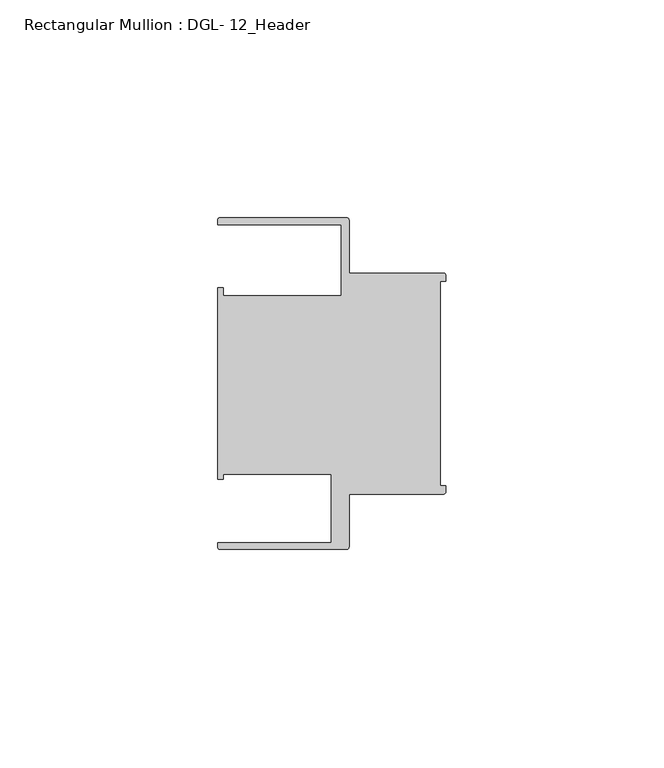
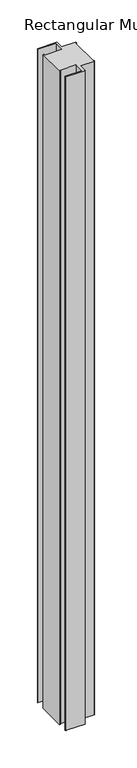
"""IFC4 building model written with IfcOpenShell, lengths in millimetres: member geometry, Rectangular Mullion : DGL- 12_Header."""

from ifc_helpers import new_model, si_unit, point, frame, frame_2d, origin, place, context, project, spatial, polyline, circle_curve, trimmed, segment, composite_curve, outline, extrude, source, transform, mapped, element, save


def rectangular_mullion_dgl_12_header_b698937f(model_context):
    return source(origin(), model_context, "Body", "SweptSolid", [
        extrude(outline(composite_curve([segment(trimmed(circle_curve(frame_2d((-0.5953125, 24.8046875)), 0.5953125), [point((-0.5953125, 25.4))], [point((0.0, 24.8046875))], False, "CARTESIAN"), True, "CONTINUOUS"), segment(polyline([(0.0, 24.8046875), (0.0, 23.4882401), (-1.30175, 23.4882401), (-1.30175, -23.4882401), (0.0, -23.4882401), (0.0, -24.8046875)]), True, "CONTINUOUS"), segment(trimmed(circle_curve(frame_2d((-0.5953125, -24.8046875)), 0.5953125), [point((0.0, -24.8046875))], [point((-0.5953125, -25.4))], False, "CARTESIAN"), True, "CONTINUOUS"), segment(polyline([(-0.5953125, -25.4), (-22.2332076, -25.4), (-22.2332076, -37.5047035)]), True, "CONTINUOUS"), segment(trimmed(circle_curve(frame_2d((-22.8285201, -37.5047035)), 0.5953125), [point((-22.2332076, -37.5047035))], [point((-22.8285201, -38.100016))], False, "CARTESIAN"), True, "CONTINUOUS"), segment(polyline([(-22.8285201, -38.100016), (-51.7968699, -38.100016)]), True, "CONTINUOUS"), segment(trimmed(circle_curve(frame_2d((-51.7968699, -37.5047035)), 0.5953125), [point((-51.7968699, -38.100016))], [point((-52.3921824, -37.5047035))], False, "CARTESIAN"), True, "CONTINUOUS"), segment(polyline([(-52.3921824, -37.5047035), (-52.3921824, -36.512516), (-26.3720794, -36.512516), (-26.3720794, -20.8257348), (-51.1280305, -20.8257348), (-51.1280305, -21.9710976), (-52.3948122, -21.9710976), (-52.3948122, 21.9710976), (-51.1280305, 21.9710976), (-51.1280305, 20.1823589), (-24.0747075, 20.1823589), (-24.0747075, 36.5123462), (-52.3921824, 36.5123462), (-52.3921824, 37.5043667)]), True, "CONTINUOUS"), segment(trimmed(circle_curve(frame_2d((-51.7968699, 37.5043667)), 0.5953125), [point((-52.3921824, 37.5043667))], [point((-51.7968699, 38.0996792))], False, "CARTESIAN"), True, "CONTINUOUS"), segment(polyline([(-51.7968699, 38.0996792), (-22.8285201, 38.0996792)]), True, "CONTINUOUS"), segment(trimmed(circle_curve(frame_2d((-22.8285201, 37.5043667)), 0.5953125), [point((-22.8285201, 38.0996792))], [point((-22.2332076, 37.5043667))], False, "CARTESIAN"), True, "CONTINUOUS"), segment(polyline([(-22.2332076, 37.5043667), (-22.2332076, 25.4), (-0.5953125, 25.4)]), True, "CONTINUOUS")], self_intersect=False)), frame((0.0, 0.0, -1066.8), z_axis=(0.0, 0.0, 1.0), x_axis=(1.0, 0.0, 0.0)), (0.0, 0.0, 1.0), 1066.8),
    ])


if __name__ == "__main__":
    model = new_model("IFC4")
    model_context = context("Model", 3, world=origin())
    ifc_project = project(units=[si_unit("LENGTHUNIT", "METRE", prefix="MILLI")], contexts=[model_context])
    site = spatial("IfcSite", under=ifc_project)
    building = spatial("IfcBuilding", under=site)
    placement = place(None, origin())
    rectangular_mullion_dgl_12_header_shape = rectangular_mullion_dgl_12_header_b698937f(model_context)
    element("IfcMember", 1, ObjectType="Rectangular Mullion : DGL- 12_Header", at=placement, inside=building, context=model_context, shape_type="MappedRepresentation", body=[
        mapped(rectangular_mullion_dgl_12_header_shape, transform((0.0, 0.0, 0.0), x_axis=(1.0, 0.0, 0.0), y_axis=(0.0, 1.0, 0.0), z_axis=(0.0, 0.0, 1.0))),
    ])
    save(model, "model.ifc")
